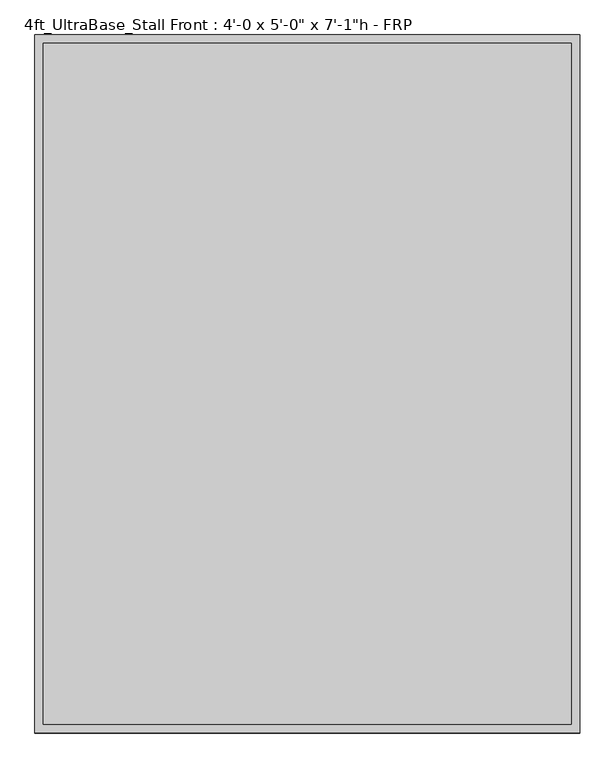
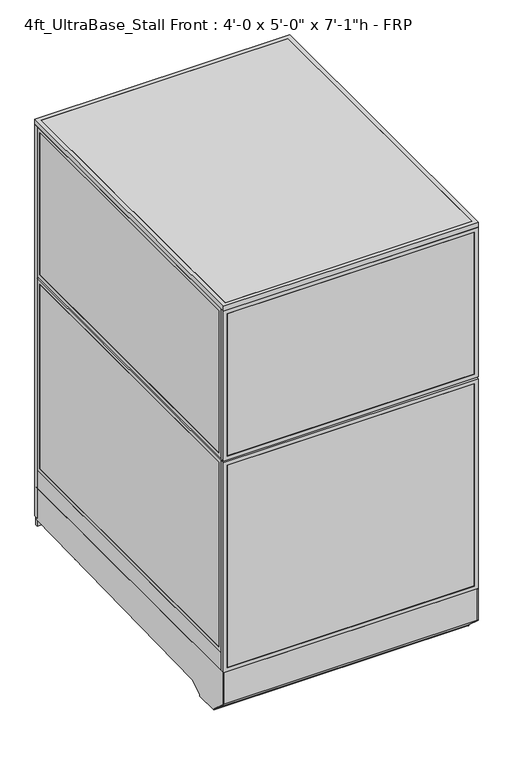
"""IFC4 building model written with IfcOpenShell, lengths in millimetres: proxy geometry."""

from ifc_helpers import new_model, si_unit, point, frame, frame_2d, origin, origin_with_axes, place, context, project, spatial, polyline, circle_curve, trimmed, segment, composite_curve, outline, extrude, source, transform, mapped, element, save


def proxy_e8be1de3(model_context):
    return source(origin(), model_context, "Body", "SweptSolid", [
        extrude(outline(polyline([(152.4, 0.0), (152.4, 914.4), (2133.6, 914.4), (2133.6, 0.0), (152.4, 0.0)]), holes=[polyline([(971.55, 19.05), (971.55, 895.35), (171.45, 895.35), (171.45, 19.05), (971.55, 19.05)]), polyline([(1009.65, 895.35), (1009.65, 19.05), (2114.55, 19.05), (2114.55, 895.35), (1009.65, 895.35)])]), frame((0.0, 1524.0, 0.0), z_axis=(0.0, 1.0, 0.0), x_axis=(0.0, 0.0, 1.0)), (0.0, 0.0, 1.0), 19.05),
        extrude(outline(polyline([(60.3189838, 1541.4625), (854.0810162, 1541.4625), (854.0810162, 1525.5875), (60.3189838, 1525.5875), (60.3189838, 1541.4625)])), frame((0.0, 0.0, 212.725), z_axis=(0.0, 0.0, 1.0), x_axis=(1.0, 0.0, 0.0)), (0.0, 0.0, 1.0), 717.55),
        extrude(outline(polyline([(1031.875, 41.2689838), (1031.875, 873.1310162), (2092.325, 873.1310162), (2092.325, 41.2689838), (1031.875, 41.2689838)]), holes=[polyline([(2073.275, 854.0810162), (1050.925, 854.0810162), (1050.925, 60.3189838), (2073.275, 60.3189838), (2073.275, 854.0810162)])]), frame((0.0, 1524.0, 0.0), z_axis=(0.0, 1.0, 0.0), x_axis=(0.0, 0.0, 1.0)), (0.0, 0.0, 1.0), 19.05),
        extrude(outline(polyline([(193.675, 41.2689838), (193.675, 873.1310162), (949.325, 873.1310162), (949.325, 41.2689838), (193.675, 41.2689838)]), holes=[polyline([(930.275, 854.0810162), (212.725, 854.0810162), (212.725, 60.3189838), (930.275, 60.3189838), (930.275, 854.0810162)])]), frame((0.0, 1524.0, 0.0), z_axis=(0.0, 1.0, 0.0), x_axis=(0.0, 0.0, 1.0)), (0.0, 0.0, 1.0), 19.05),
        extrude(outline(polyline([(60.3189838, 1541.4625), (854.0810162, 1541.4625), (854.0810162, 1525.5875), (60.3189838, 1525.5875), (60.3189838, 1541.4625)])), frame((0.0, 0.0, 1050.925), z_axis=(0.0, 0.0, 1.0), x_axis=(1.0, 0.0, 0.0)), (0.0, 0.0, 1.0), 1022.35),
        extrude(outline(polyline([(152.4, 1219.2), (2133.6, 1219.2), (2133.6, 914.4), (152.4, 914.4), (152.4, 1219.2)]), holes=[polyline([(171.45, 1200.15), (171.45, 933.45), (2114.55, 933.45), (2114.55, 1200.15), (171.45, 1200.15)])]), frame((0.0, 1524.0, 0.0), z_axis=(0.0, 1.0, 0.0), x_axis=(0.0, 0.0, 1.0)), (0.0, 0.0, 1.0), 19.05),
        extrude(outline(polyline([(933.45, 1541.4625), (1200.15, 1541.4625), (1200.15, 1525.5875), (933.45, 1525.5875), (933.45, 1541.4625)])), frame((0.0, 0.0, 171.45), z_axis=(0.0, 0.0, 1.0), x_axis=(1.0, 0.0, 0.0)), (0.0, 0.0, 1.0), 1943.1),
        extrude(outline(composite_curve([segment(trimmed(circle_curve(frame_2d((1110.8236459, 1372.8018426)), 38.1), [point((1072.7236459, 1372.8018426))], [point((1148.9236459, 1372.8018426))], False, "CARTESIAN"), True, "CONTINUOUS"), segment(trimmed(circle_curve(frame_2d((1110.8236459, 1372.8018426)), 38.1), [point((1148.9236459, 1372.8018426))], [point((1072.7236459, 1372.8018426))], False, "CARTESIAN"), True, "CONTINUOUS")], self_intersect=False)), frame((0.0, 0.0, 130.9806848), z_axis=(0.0, 0.0, 1.0), x_axis=(1.0, 0.0, 0.0)), (0.0, 0.0, 1.0), 12.9784433),
        extrude(outline(composite_curve([segment(trimmed(circle_curve(frame_2d((1110.8236459, 1372.8018426)), 12.7), [point((1098.1236459, 1372.8018426))], [point((1123.5236459, 1372.8018426))], False, "CARTESIAN"), True, "CONTINUOUS"), segment(trimmed(circle_curve(frame_2d((1110.8236459, 1372.8018426)), 12.7), [point((1123.5236459, 1372.8018426))], [point((1098.1236459, 1372.8018426))], False, "CARTESIAN"), True, "CONTINUOUS")], self_intersect=False)), frame((0.0, 0.0, 6.35), z_axis=(0.0, 0.0, 1.0), x_axis=(1.0, 0.0, 0.0)), (0.0, 0.0, 1.0), 124.6306848),
        extrude(outline(composite_curve([segment(trimmed(circle_curve(frame_2d((1110.8236459, 1372.8018426)), 25.4), [point((1085.4236459, 1372.8018426))], [point((1136.2236459, 1372.8018426))], False, "CARTESIAN"), True, "CONTINUOUS"), segment(trimmed(circle_curve(frame_2d((1110.8236459, 1372.8018426)), 25.4), [point((1136.2236459, 1372.8018426))], [point((1085.4236459, 1372.8018426))], False, "CARTESIAN"), True, "CONTINUOUS")], self_intersect=False)), origin_with_axes(), (0.0, 0.0, 1.0), 6.35),
        extrude(outline(composite_curve([segment(trimmed(circle_curve(frame_2d((120.2236459, 1372.8018426)), 38.1), [point((82.1236459, 1372.8018426))], [point((158.3236459, 1372.8018426))], False, "CARTESIAN"), True, "CONTINUOUS"), segment(trimmed(circle_curve(frame_2d((120.2236459, 1372.8018426)), 38.1), [point((158.3236459, 1372.8018426))], [point((82.1236459, 1372.8018426))], False, "CARTESIAN"), True, "CONTINUOUS")], self_intersect=False)), frame((0.0, 0.0, 130.9806848), z_axis=(0.0, 0.0, 1.0), x_axis=(1.0, 0.0, 0.0)), (0.0, 0.0, 1.0), 12.9784433),
        extrude(outline(composite_curve([segment(trimmed(circle_curve(frame_2d((120.2236459, 1372.8018426)), 12.7), [point((107.5236459, 1372.8018426))], [point((132.9236459, 1372.8018426))], False, "CARTESIAN"), True, "CONTINUOUS"), segment(trimmed(circle_curve(frame_2d((120.2236459, 1372.8018426)), 12.7), [point((132.9236459, 1372.8018426))], [point((107.5236459, 1372.8018426))], False, "CARTESIAN"), True, "CONTINUOUS")], self_intersect=False)), frame((0.0, 0.0, 6.35), z_axis=(0.0, 0.0, 1.0), x_axis=(1.0, 0.0, 0.0)), (0.0, 0.0, 1.0), 124.6306848),
        extrude(outline(composite_curve([segment(trimmed(circle_curve(frame_2d((120.2236459, 1372.8018426)), 25.4), [point((94.8236459, 1372.8018426))], [point((145.6236459, 1372.8018426))], False, "CARTESIAN"), True, "CONTINUOUS"), segment(trimmed(circle_curve(frame_2d((120.2236459, 1372.8018426)), 25.4), [point((145.6236459, 1372.8018426))], [point((94.8236459, 1372.8018426))], False, "CARTESIAN"), True, "CONTINUOUS")], self_intersect=False)), origin_with_axes(), (0.0, 0.0, 1.0), 6.35),
        extrude(outline(composite_curve([segment(trimmed(circle_curve(frame_2d((120.2236459, 331.9496116)), 38.1), [point((82.1236459, 331.9496116))], [point((158.3236459, 331.9496116))], False, "CARTESIAN"), True, "CONTINUOUS"), segment(trimmed(circle_curve(frame_2d((120.2236459, 331.9496116)), 38.1), [point((158.3236459, 331.9496116))], [point((82.1236459, 331.9496116))], False, "CARTESIAN"), True, "CONTINUOUS")], self_intersect=False)), frame((0.0, 0.0, 103.9931848), z_axis=(0.0, 0.0, 1.0), x_axis=(1.0, 0.0, 0.0)), (0.0, 0.0, 1.0), 12.9784433),
        extrude(outline(composite_curve([segment(trimmed(circle_curve(frame_2d((120.2236459, 331.9496116)), 12.7), [point((107.5236459, 331.9496116))], [point((132.9236459, 331.9496116))], False, "CARTESIAN"), True, "CONTINUOUS"), segment(trimmed(circle_curve(frame_2d((120.2236459, 331.9496116)), 12.7), [point((132.9236459, 331.9496116))], [point((107.5236459, 331.9496116))], False, "CARTESIAN"), True, "CONTINUOUS")], self_intersect=False)), frame((0.0, 0.0, 6.35), z_axis=(0.0, 0.0, 1.0), x_axis=(1.0, 0.0, 0.0)), (0.0, 0.0, 1.0), 97.6431848),
        extrude(outline(composite_curve([segment(trimmed(circle_curve(frame_2d((120.2236459, 331.9496116)), 25.4), [point((94.8236459, 331.9496116))], [point((145.6236459, 331.9496116))], False, "CARTESIAN"), True, "CONTINUOUS"), segment(trimmed(circle_curve(frame_2d((120.2236459, 331.9496116)), 25.4), [point((145.6236459, 331.9496116))], [point((94.8236459, 331.9496116))], False, "CARTESIAN"), True, "CONTINUOUS")], self_intersect=False)), origin_with_axes(), (0.0, 0.0, 1.0), 6.35),
        extrude(outline(composite_curve([segment(trimmed(circle_curve(frame_2d((1110.8236459, 331.9496116)), 38.1), [point((1072.7236459, 331.9496116))], [point((1148.9236459, 331.9496116))], False, "CARTESIAN"), True, "CONTINUOUS"), segment(trimmed(circle_curve(frame_2d((1110.8236459, 331.9496116)), 38.1), [point((1148.9236459, 331.9496116))], [point((1072.7236459, 331.9496116))], False, "CARTESIAN"), True, "CONTINUOUS")], self_intersect=False)), frame((0.0, 0.0, 103.9931848), z_axis=(0.0, 0.0, 1.0), x_axis=(1.0, 0.0, 0.0)), (0.0, 0.0, 1.0), 12.9784433),
        extrude(outline(composite_curve([segment(trimmed(circle_curve(frame_2d((1110.8236459, 331.9496116)), 12.7), [point((1098.1236459, 331.9496116))], [point((1123.5236459, 331.9496116))], False, "CARTESIAN"), True, "CONTINUOUS"), segment(trimmed(circle_curve(frame_2d((1110.8236459, 331.9496116)), 12.7), [point((1123.5236459, 331.9496116))], [point((1098.1236459, 331.9496116))], False, "CARTESIAN"), True, "CONTINUOUS")], self_intersect=False)), frame((0.0, 0.0, 6.35), z_axis=(0.0, 0.0, 1.0), x_axis=(1.0, 0.0, 0.0)), (0.0, 0.0, 1.0), 97.6431848),
        extrude(outline(composite_curve([segment(trimmed(circle_curve(frame_2d((1110.8236459, 331.9496116)), 25.4), [point((1085.4236459, 331.9496116))], [point((1136.2236459, 331.9496116))], False, "CARTESIAN"), True, "CONTINUOUS"), segment(trimmed(circle_curve(frame_2d((1110.8236459, 331.9496116)), 25.4), [point((1136.2236459, 331.9496116))], [point((1085.4236459, 331.9496116))], False, "CARTESIAN"), True, "CONTINUOUS")], self_intersect=False)), origin_with_axes(), (0.0, 0.0, 1.0), 6.35),
        extrude(outline(polyline([(-19.05, 304.8), (1530.35, 304.8), (1530.35, 143.3232444), (238.733612, 113.4956461), (175.3928625, 76.9258473), (175.3928625, 69.0977369), (59.8970382, 69.0977369), (59.8970382, 73.3553835), (-19.05, 144.439616), (-19.05, 304.8)])), frame((0.0, 0.0, 0.0), z_axis=(1.0, 0.0, 0.0), x_axis=(0.0, 1.0, 0.0)), (0.0, 0.0, 1.0), 3.175),
        extrude(outline(polyline([(-19.05, 304.8), (1530.35, 304.8), (1530.35, 143.3232444), (238.733612, 113.4956461), (175.3928625, 76.9258473), (175.3928625, 69.0977369), (59.8970382, 69.0977369), (59.8970382, 73.3553835), (-19.05, 144.439616), (-19.05, 304.8)])), frame((1216.025, 0.0, 0.0), z_axis=(1.0, 0.0, 0.0), x_axis=(0.0, 1.0, 0.0)), (0.0, 0.0, 1.0), 3.175),
        extrude(outline(polyline([(1530.35, 104.78262), (1530.35, 144.8342358), (238.733612, 113.4956461), (175.3928625, 76.9258473), (175.3928625, 69.0977369), (59.8970382, 69.0977369), (59.8970382, 73.3553835), (-19.05, 144.439616), (-19.05, 304.8), (-10.9434074, 304.8), (-10.9434074, 236.4996867), (-5.6766373, 236.4996867), (-2.6025146, 148.4683295), (68.18203, 84.7336392), (68.18203, 79.4164869), (167.804636, 79.4164869), (167.804636, 86.088281), (237.0845322, 126.0870477), (1543.05, 157.8890047), (1543.05, 104.78262), (1530.35, 104.78262)])), frame((3.175, 0.0, 0.0), z_axis=(1.0, 0.0, 0.0), x_axis=(0.0, 1.0, 0.0)), (0.0, 0.0, 1.0), 1212.85),
        extrude(outline(polyline([(1366.8375, 1219.2), (1366.8375, 0.0), (304.8, 0.0), (304.8, 1219.2), (1366.8375, 1219.2)]), holes=[polyline([(323.85, 1200.15), (323.85, 19.05), (1347.7875, 19.05), (1347.7875, 1200.15), (323.85, 1200.15)])]), frame((0.0, -19.05, 0.0), z_axis=(0.0, 1.0, 0.0), x_axis=(0.0, 0.0, 1.0)), (0.0, 0.0, 1.0), 19.05),
        extrude(outline(polyline([(1376.3625, 1219.2), (2133.6, 1219.2), (2133.6, 0.0), (1376.3625, 0.0), (1376.3625, 1219.2)]), holes=[polyline([(2114.55, 1200.15), (1395.4125, 1200.15), (1395.4125, 19.05), (2114.55, 19.05), (2114.55, 1200.15)])]), frame((0.0, -19.05, 0.0), z_axis=(0.0, 1.0, 0.0), x_axis=(0.0, 0.0, 1.0)), (0.0, 0.0, 1.0), 19.05),
        extrude(outline(polyline([(1200.15, -17.4625), (19.05, -17.4625), (19.05, -1.5875), (1200.15, -1.5875), (1200.15, -17.4625)])), frame((0.0, 0.0, 323.85), z_axis=(0.0, 0.0, 1.0), x_axis=(1.0, 0.0, 0.0)), (0.0, 0.0, 1.0), 1023.9375),
        extrude(outline(polyline([(1200.15, -17.4625), (19.05, -17.4625), (19.05, -1.5875), (1200.15, -1.5875), (1200.15, -17.4625)])), frame((0.0, 0.0, 1395.4125), z_axis=(0.0, 0.0, 1.0), x_axis=(1.0, 0.0, 0.0)), (0.0, 0.0, 1.0), 719.1375),
        extrude(outline(polyline([(1200.15, 0.0), (1200.15, 1524.0), (1219.2, 1524.0), (1219.2, 0.0), (1200.15, 0.0)])), frame((0.0, 0.0, 304.8), z_axis=(0.0, 0.0, 1.0), x_axis=(1.0, 0.0, 0.0)), (0.0, 0.0, 1.0), 88.9),
        extrude(outline(polyline([(1524.0, 393.7), (0.0, 393.7), (0.0, 1366.8375), (1524.0, 1366.8375), (1524.0, 393.7)]), holes=[polyline([(1504.95, 1347.7875), (19.05, 1347.7875), (19.05, 412.75), (1504.95, 412.75), (1504.95, 1347.7875)])]), frame((1200.15, 0.0, 0.0), z_axis=(1.0, 0.0, 0.0), x_axis=(0.0, 1.0, 0.0)), (0.0, 0.0, 1.0), 19.05),
        extrude(outline(polyline([(0.0, 1376.3625), (0.0, 2133.6), (1524.0, 2133.6), (1524.0, 1376.3625), (0.0, 1376.3625)]), holes=[polyline([(19.05, 2114.55), (19.05, 1395.4125), (1504.95, 1395.4125), (1504.95, 2114.55), (19.05, 2114.55)])]), frame((1200.15, 0.0, 0.0), z_axis=(1.0, 0.0, 0.0), x_axis=(0.0, 1.0, 0.0)), (0.0, 0.0, 1.0), 19.05),
        extrude(outline(polyline([(1201.7375, 19.05), (1201.7375, 1504.95), (1217.6125, 1504.95), (1217.6125, 19.05), (1201.7375, 19.05)])), frame((0.0, 0.0, 412.75), z_axis=(0.0, 0.0, 1.0), x_axis=(1.0, 0.0, 0.0)), (0.0, 0.0, 1.0), 935.0375),
        extrude(outline(polyline([(1201.7375, 19.05), (1201.7375, 1504.95), (1217.6125, 1504.95), (1217.6125, 19.05), (1201.7375, 19.05)])), frame((0.0, 0.0, 1395.4125), z_axis=(0.0, 0.0, 1.0), x_axis=(1.0, 0.0, 0.0)), (0.0, 0.0, 1.0), 719.1375),
        extrude(outline(polyline([(0.0, 0.0), (0.0, 1524.0), (19.05, 1524.0), (19.05, 0.0), (0.0, 0.0)])), frame((0.0, 0.0, 304.8), z_axis=(0.0, 0.0, 1.0), x_axis=(1.0, 0.0, 0.0)), (0.0, 0.0, 1.0), 88.9),
        extrude(outline(polyline([(1524.0, 393.7), (0.0, 393.7), (0.0, 1366.8375), (1524.0, 1366.8375), (1524.0, 393.7)]), holes=[polyline([(1504.95, 1347.7875), (19.05, 1347.7875), (19.05, 412.75), (1504.95, 412.75), (1504.95, 1347.7875)])]), frame((0.0, 0.0, 0.0), z_axis=(1.0, 0.0, 0.0), x_axis=(0.0, 1.0, 0.0)), (0.0, 0.0, 1.0), 19.05),
        extrude(outline(polyline([(0.0, 1376.3625), (0.0, 2133.6), (1524.0, 2133.6), (1524.0, 1376.3625), (0.0, 1376.3625)]), holes=[polyline([(19.05, 2114.55), (19.05, 1395.4125), (1504.95, 1395.4125), (1504.95, 2114.55), (19.05, 2114.55)])]), frame((0.0, 0.0, 0.0), z_axis=(1.0, 0.0, 0.0), x_axis=(0.0, 1.0, 0.0)), (0.0, 0.0, 1.0), 19.05),
        extrude(outline(polyline([(1.5875, 19.05), (1.5875, 1504.95), (17.4625, 1504.95), (17.4625, 19.05), (1.5875, 19.05)])), frame((0.0, 0.0, 412.75), z_axis=(0.0, 0.0, 1.0), x_axis=(1.0, 0.0, 0.0)), (0.0, 0.0, 1.0), 935.0375),
        extrude(outline(polyline([(1.5875, 19.05), (1.5875, 1504.95), (17.4625, 1504.95), (17.4625, 19.05), (1.5875, 19.05)])), frame((0.0, 0.0, 1395.4125), z_axis=(0.0, 0.0, 1.0), x_axis=(1.0, 0.0, 0.0)), (0.0, 0.0, 1.0), 719.1375),
        extrude(outline(polyline([(1187.45, 622.3), (1187.45, 609.6), (31.75, 609.6), (31.75, 622.3), (1187.45, 622.3)])), frame((0.0, 0.0, 152.4), z_axis=(0.0, 0.0, 1.0), x_axis=(1.0, 0.0, 0.0)), (0.0, 0.0, 1.0), 152.4),
        extrude(outline(polyline([(1187.45, 622.3), (1187.45, 12.7), (31.75, 12.7), (31.75, 622.3), (1187.45, 622.3)])), frame((0.0, 0.0, 304.8), z_axis=(0.0, 0.0, 1.0), x_axis=(1.0, 0.0, 0.0)), (0.0, 0.0, 1.0), 12.7),
        extrude(outline(polyline([(1219.2, 1543.05), (1219.2, -19.05), (0.0, -19.05), (0.0, 1543.05), (1219.2, 1543.05)]), holes=[polyline([(1200.15, 1524.0), (19.05, 1524.0), (19.05, 0.0), (1200.15, 0.0), (1200.15, 1524.0)])]), frame((0.0, 0.0, 2133.6), z_axis=(0.0, 0.0, 1.0), x_axis=(1.0, 0.0, 0.0)), (0.0, 0.0, 1.0), 25.4),
        extrude(outline(polyline([(19.05, 1524.0), (1200.15, 1524.0), (1200.15, 0.0), (19.05, 0.0), (19.05, 1524.0)])), frame((0.0, 0.0, 2133.6), z_axis=(0.0, 0.0, 1.0), x_axis=(1.0, 0.0, 0.0)), (0.0, 0.0, 1.0), 25.4),
    ])


if __name__ == "__main__":
    model = new_model("IFC4")
    model_context = context("Model", 3, world=origin())
    ifc_project = project(units=[si_unit("LENGTHUNIT", "METRE", prefix="MILLI")], contexts=[model_context])
    site = spatial("IfcSite", under=ifc_project)
    building = spatial("IfcBuilding", under=site)
    placement = place(None, origin())
    proxy_shape = proxy_e8be1de3(model_context)
    element("IfcBuildingElementProxy", 1, Name="4ft_UltraBase_Stall Front : 4'-0 x 5'-0\" x 7'-1\"h - FRP", ObjectType="4ft_UltraBase_Stall Front : 4'-0 x 5'-0\" x 7'-1\"h - FRP", at=placement, inside=building, context=model_context, shape_type="MappedRepresentation", body=[
        mapped(proxy_shape, transform((0.0, 0.0, 0.0), x_axis=(1.0, 0.0, 0.0), y_axis=(0.0, 1.0, 0.0), z_axis=(0.0, 0.0, 1.0))),
    ])
    save(model, "model.ifc")
